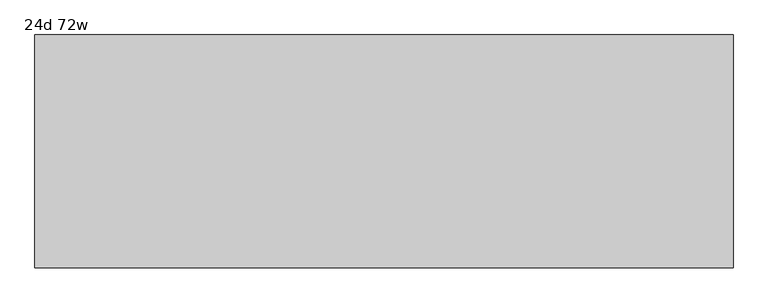
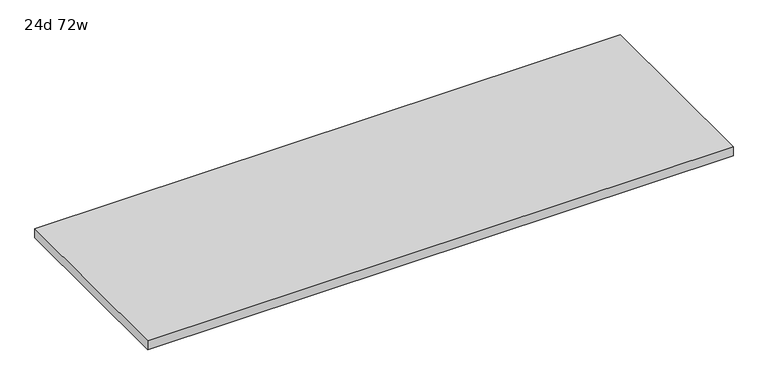
"""IFC4 building model written with IfcOpenShell, lengths in millimetres: furniture geometry, 24d 72w."""

from ifc_helpers import new_model, si_unit, frame, origin, place, context, project, spatial, polyline, outline, extrude, source, transform, mapped, element, save


def furniture_24d_72w_2de20143(model_context):
    return source(origin(), model_context, "Body", "SweptSolid", [
        extrude(outline(polyline([(914.4, 304.8), (914.4, -304.8), (-914.4, -304.8), (-914.4, 304.8), (914.4, 304.8)])), frame((0.0, 0.0, 706.4375), z_axis=(0.0, 0.0, 1.0), x_axis=(1.0, 0.0, 0.0)), (0.0, 0.0, 1.0), 30.1625),
    ])


if __name__ == "__main__":
    model = new_model("IFC4")
    model_context = context("Model", 3, world=origin())
    ifc_project = project(units=[si_unit("LENGTHUNIT", "METRE", prefix="MILLI")], contexts=[model_context])
    site = spatial("IfcSite", under=ifc_project)
    building = spatial("IfcBuilding", under=site)
    placement = place(None, origin())
    furniture_24d_72w_shape = furniture_24d_72w_2de20143(model_context)
    element("IfcFurniture", 1, ObjectType="24d 72w", at=placement, inside=building, context=model_context, shape_type="MappedRepresentation", body=[
        mapped(furniture_24d_72w_shape, transform((0.0, 0.0, 0.0), x_axis=(1.0, 0.0, 0.0), y_axis=(0.0, 1.0, 0.0), z_axis=(0.0, 0.0, 1.0))),
    ])
    save(model, "model.ifc")
